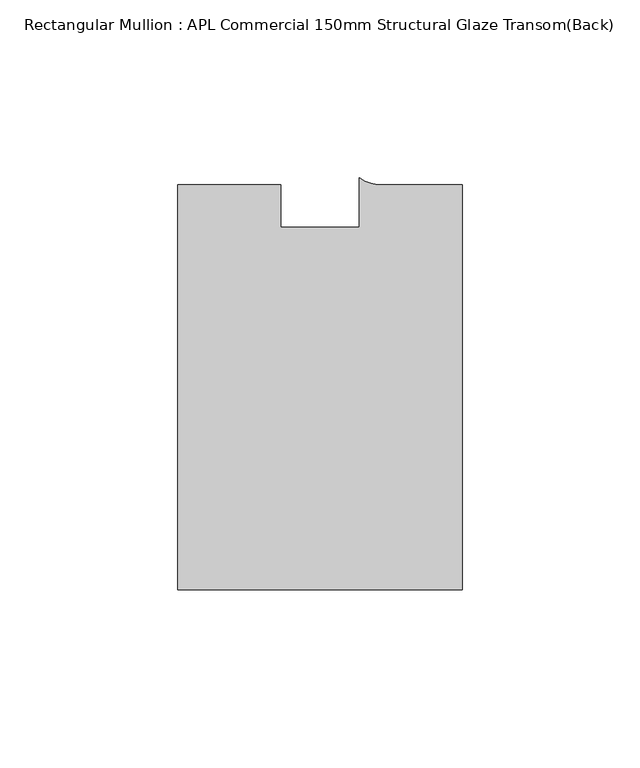
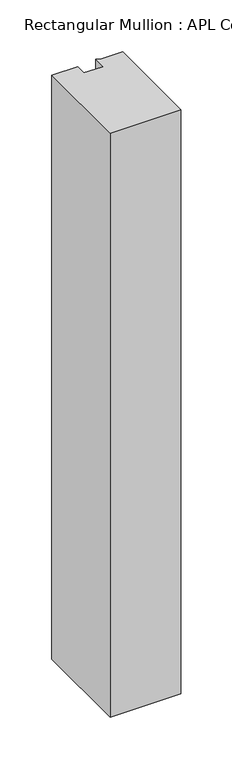
"""IFC4 building model written with IfcOpenShell, lengths in millimetres: member geometry, Rectangular Mullion : APL Commercial 150mm Structural Glaze Transom(Back)."""

from ifc_helpers import new_model, si_unit, point, frame, frame_2d, origin, place, context, project, spatial, polyline, circle_curve, trimmed, segment, composite_curve, outline, extrude, source, transform, mapped, element, save


def rectangular_mullion_apl_commercial_150mm_structural_glaze_c08e55ce(model_context):
    return source(origin(), model_context, "Body", "SweptSolid", [
        extrude(outline(composite_curve([segment(polyline([(40.0, -128.9999975), (-40.0, -128.9999975), (-40.0, -15.0000829), (-11.0000151, -15.0000829), (-11.0000151, -27.0), (11.0000151, -27.0), (11.0000151, -13.0673455)]), True, "CONTINUOUS"), segment(trimmed(circle_curve(frame_2d((17.1097719, -4.581653)), 10.4563907), [point((11.0000151, -13.0673455))], [point((17.9999542, -15.0000829))], True, "CARTESIAN"), True, "CONTINUOUS"), segment(polyline([(17.9999542, -15.0000829), (40.0, -15.0000829), (40.0, -128.9999975)]), True, "CONTINUOUS")], self_intersect=False)), frame((0.0, 0.0, -699.3627597), z_axis=(0.0, 0.0, 1.0), x_axis=(1.0, 0.0, 0.0)), (0.0, 0.0, 1.0), 699.3627597),
    ])


if __name__ == "__main__":
    model = new_model("IFC4")
    model_context = context("Model", 3, world=origin())
    ifc_project = project(units=[si_unit("LENGTHUNIT", "METRE", prefix="MILLI")], contexts=[model_context])
    site = spatial("IfcSite", under=ifc_project)
    building = spatial("IfcBuilding", under=site)
    placement = place(None, origin())
    rectangular_mullion_apl_commercial_150mm_structural_glaze_shape = rectangular_mullion_apl_commercial_150mm_structural_glaze_c08e55ce(model_context)
    element("IfcMember", 1, ObjectType="Rectangular Mullion : APL Commercial 150mm Structural Glaze Transom(Back)", at=placement, inside=building, context=model_context, shape_type="MappedRepresentation", body=[
        mapped(rectangular_mullion_apl_commercial_150mm_structural_glaze_shape, transform((0.0, 0.0, 0.0), x_axis=(1.0, 0.0, 0.0), y_axis=(0.0, 1.0, 0.0), z_axis=(0.0, 0.0, 1.0))),
    ])
    save(model, "model.ifc")
